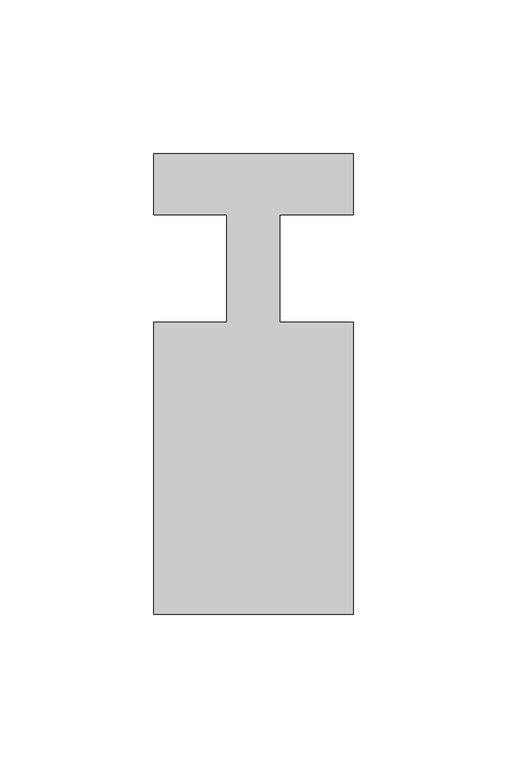
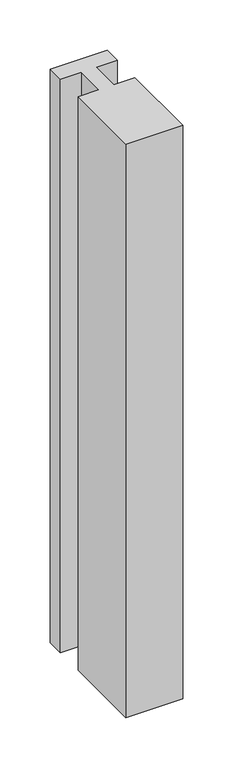
"""IFC4 building model written with IfcOpenShell, lengths in millimetres: member geometry."""

from ifc_helpers import new_model, si_unit, frame, origin, place, context, project, spatial, polyline, outline, extrude, source, transform, mapped, element, save


def member_b485e240(model_context):
    return source(origin(), model_context, "Body", "SweptSolid", [
        extrude(outline(polyline([(-65.0, 37.0), (0.0, 37.0), (0.0, 17.0), (-23.8125, 17.0), (-23.8125, -18.0), (0.0, -18.0), (0.0, -113.0), (-65.0, -113.0), (-65.0, -18.0), (-41.1875, -18.0), (-41.1875, 17.0), (-65.0, 17.0), (-65.0, 37.0)])), frame((0.0, 0.0, -695.0), z_axis=(0.0, 0.0, 1.0), x_axis=(1.0, 0.0, 0.0)), (0.0, 0.0, 1.0), 695.0),
    ])


if __name__ == "__main__":
    model = new_model("IFC4")
    model_context = context("Model", 3, world=origin())
    ifc_project = project(units=[si_unit("LENGTHUNIT", "METRE", prefix="MILLI")], contexts=[model_context])
    site = spatial("IfcSite", under=ifc_project)
    building = spatial("IfcBuilding", under=site)
    placement = place(None, origin())
    member_shape = member_b485e240(model_context)
    element("IfcMember", 1, at=placement, inside=building, context=model_context, shape_type="MappedRepresentation", body=[
        mapped(member_shape, transform((0.0, 0.0, 0.0), x_axis=(1.0, 0.0, 0.0), y_axis=(0.0, 1.0, 0.0), z_axis=(0.0, 0.0, 1.0))),
    ])
    save(model, "model.ifc")
